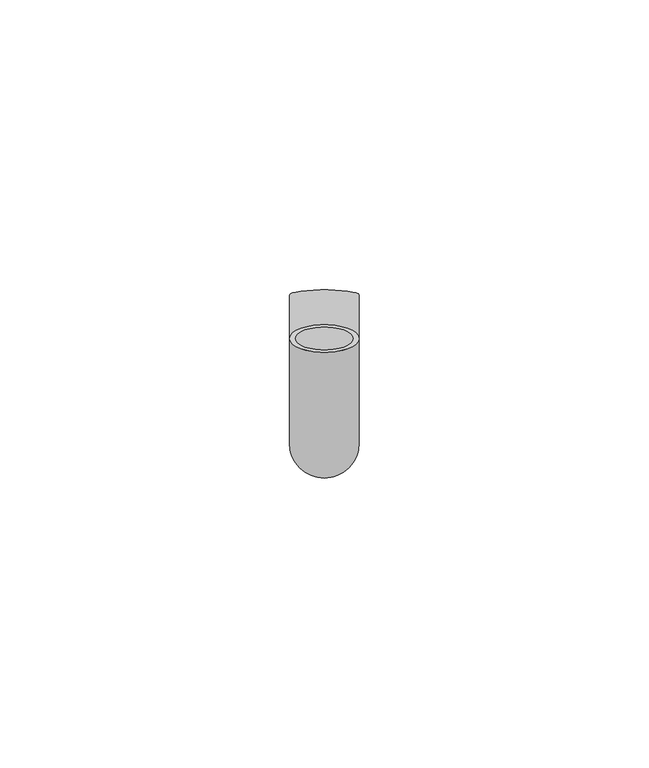
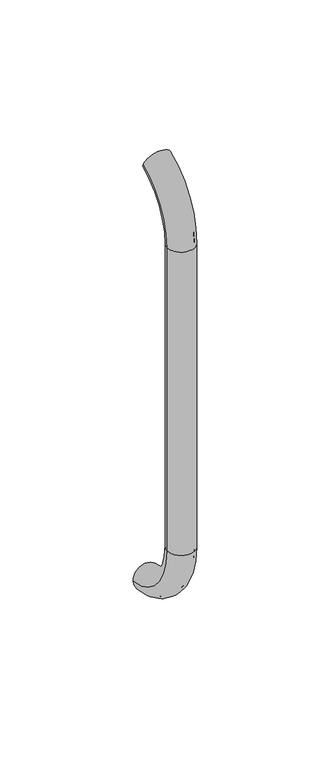
"""IFC4 building model written with IfcOpenShell, lengths in millimetres: beam geometry."""

from ifc_helpers import new_model, si_unit, point, frame, origin, place, context, project, spatial, polyline, circle_curve, ellipse_curve, trimmed, source, transform, mapped, element, save
from ifc_brep_helpers import plane_surface, cylinder_surface, revolved_surface, advanced_brep


def beam_02e64ba2(model_context):
    return source(origin(), model_context, "Body", "AdvancedBrep", [
        advanced_brep(
        [(2861.4386176, 2444.0395554, 1993.7787656), (2873.4386176, 2444.0395554, 1993.7787656), (2862.4386176, 2444.0395554, 1993.7787656), (2872.4386176, 2444.0395554, 1993.7787656), (2872.4386176, 2425.9629385, 1966.25), (2862.4386176, 2425.9629385, 1966.25), (2873.4386176, 2425.9629385, 1966.25), (2861.4386176, 2425.9629385, 1966.25), (2862.4386176, 2425.9629385, 1826.25), (2872.4386176, 2425.9629385, 1826.25), (2861.4386176, 2425.9629385, 1826.25), (2873.4386176, 2425.9629385, 1826.25), (2861.4386176, 2451.5825147, 1796.5715249), (2873.4386176, 2451.5825147, 1796.5715249), (2862.4386176, 2451.5825147, 1796.5715249), (2872.4386176, 2451.5825147, 1796.5715249)],
        [
            (0, 1, circle_curve(frame((2867.4386176, 2444.0395554, 1993.7787656), z_axis=(0.0, 0.9176255197351176, 0.3974461039321624), x_axis=(1.0, 0.0, 0.0)), 6.0)),
            (1, 0, circle_curve(frame((2867.4386176, 2444.0395554, 1993.7787656), z_axis=(0.0, 0.9176255197351176, 0.3974461039321624), x_axis=(1.0, 0.0, 0.0)), 6.0)),
            (2, 3, circle_curve(frame((2867.4386176, 2444.0395554, 1993.7787656), z_axis=(0.0, -0.9176255197351176, -0.3974461039321624), x_axis=(1.0, 0.0, 0.0)), 5.0)),
            (3, 2, circle_curve(frame((2867.4386176, 2444.0395554, 1993.7787656), z_axis=(0.0, -0.9176255197351176, -0.3974461039321624), x_axis=(1.0, 0.0, 0.0)), 5.0)),
            (4, 3, circle_curve(frame((2872.4386176, 2455.9629385, 1966.25), z_axis=(-1.0, 0.0, 0.0), x_axis=(0.0, -0.3974461039321624, 0.9176255197351176)), 30.0)),
            (2, 5, circle_curve(frame((2862.4386176, 2455.9629385, 1966.25), z_axis=(1.0, 0.0, 0.0), x_axis=(0.0, -0.3974461039321624, 0.9176255197351176)), 30.0)),
            (5, 4, circle_curve(frame((2867.4386176, 2425.9629385, 1966.25), z_axis=(0.0, 0.0, -1.0), x_axis=(1.0, 0.0, 0.0)), 5.0)),
            (4, 5, circle_curve(frame((2867.4386176, 2425.9629385, 1966.25), z_axis=(0.0, 0.0, -1.0), x_axis=(1.0, 0.0, 0.0)), 5.0)),
            (6, 1, circle_curve(frame((2873.4386176, 2455.9629385, 1966.25), z_axis=(-1.0, 0.0, 0.0), x_axis=(0.0, -0.3974461039321624, 0.9176255197351176)), 30.0)),
            (0, 7, circle_curve(frame((2861.4386176, 2455.9629385, 1966.25), z_axis=(1.0, 0.0, 0.0), x_axis=(0.0, -0.3974461039321624, 0.9176255197351176)), 30.0)),
            (7, 6, circle_curve(frame((2867.4386176, 2425.9629385, 1966.25), z_axis=(0.0, 0.0, 1.0), x_axis=(1.0, 0.0, 0.0)), 6.0)),
            (6, 7, circle_curve(frame((2867.4386176, 2425.9629385, 1966.25), z_axis=(0.0, 0.0, 1.0), x_axis=(1.0, 0.0, 0.0)), 6.0)),
            (5, 8),
            (8, 9, circle_curve(frame((2867.4386176, 2425.9629385, 1826.25), z_axis=(0.0, 0.0, -1.0), x_axis=(1.0, 0.0, 0.0)), 5.0)),
            (9, 4),
            (9, 8, circle_curve(frame((2867.4386176, 2425.9629385, 1826.25), z_axis=(0.0, 0.0, -1.0), x_axis=(1.0, 0.0, 0.0)), 5.0)),
            (7, 10),
            (10, 11, circle_curve(frame((2867.4386176, 2425.9629385, 1826.25), z_axis=(0.0, 0.0, 1.0), x_axis=(1.0, 0.0, 0.0)), 6.0)),
            (11, 6),
            (11, 10, circle_curve(frame((2867.4386176, 2425.9629385, 1826.25), z_axis=(0.0, 0.0, 1.0), x_axis=(1.0, 0.0, 0.0)), 6.0)),
            (12, 13, circle_curve(frame((2867.4386176, 2451.5825147, 1796.5715249), z_axis=(0.0, 0.9892825047438852, -0.14601412879466394), x_axis=(1.0, 0.0, 0.0)), 6.0)),
            (13, 12, circle_curve(frame((2867.4386176, 2451.5825147, 1796.5715249), z_axis=(0.0, 0.9892825047438852, -0.14601412879466394), x_axis=(1.0, 0.0, 0.0)), 6.0)),
            (14, 15, circle_curve(frame((2867.4386176, 2451.5825147, 1796.5715249), z_axis=(0.0, -0.9892825047438852, 0.14601412879466394), x_axis=(1.0, 0.0, 0.0)), 5.0)),
            (15, 14, circle_curve(frame((2867.4386176, 2451.5825147, 1796.5715249), z_axis=(0.0, -0.9892825047438852, 0.14601412879466394), x_axis=(1.0, 0.0, 0.0)), 5.0)),
            (15, 9, circle_curve(frame((2872.4386176, 2455.9629385, 1826.25), z_axis=(-1.0, 0.0, 0.0), x_axis=(0.0, -1.0, 0.0)), 30.0)),
            (8, 14, circle_curve(frame((2862.4386176, 2455.9629385, 1826.25), z_axis=(1.0, 0.0, 0.0), x_axis=(0.0, -1.0, 0.0)), 30.0)),
            (13, 11, circle_curve(frame((2873.4386176, 2455.9629385, 1826.25), z_axis=(-1.0, 0.0, 0.0), x_axis=(0.0, -1.0, 0.0)), 30.0)),
            (10, 12, circle_curve(frame((2861.4386176, 2455.9629385, 1826.25), z_axis=(1.0, 0.0, 0.0), x_axis=(0.0, -1.0, 0.0)), 30.0)),
        ],
        [
            plane_surface(frame((2867.4386176, 2444.0395554, 1993.7787656), z_axis=(0.0, 0.9176255197351176, 0.3974461039321624), x_axis=(1.0, 0.0, 0.0))),
            revolved_surface(trimmed(ellipse_curve(frame((2867.4386176, 2444.0395554, 1993.7787656), z_axis=(0.0, -0.9176255197351176, -0.3974461039321624), x_axis=(1.0, 0.0, 0.0)), 5.0, 5.0), [point((2862.4386176, 2444.0395554, 1993.7787656))], [point((2872.4386176, 2444.0395554, 1993.7787656))], True, "CARTESIAN"), (2867.4386176, 2455.9629385, 1966.25), (1.0, 0.0, 0.0)),
            revolved_surface(trimmed(ellipse_curve(frame((2867.4386176, 2444.0395554, 1993.7787656), z_axis=(0.0, -0.9176255197351176, -0.3974461039321624), x_axis=(1.0, 0.0, 0.0)), 5.0, 5.0), [point((2872.4386176, 2444.0395554, 1993.7787656))], [point((2862.4386176, 2444.0395554, 1993.7787656))], True, "CARTESIAN"), (2867.4386176, 2455.9629385, 1966.25), (1.0, 0.0, 0.0)),
            revolved_surface(trimmed(ellipse_curve(frame((2867.4386176, 2444.0395554, 1993.7787656), z_axis=(0.0, 0.9176255197351176, 0.3974461039321624), x_axis=(1.0, 0.0, 0.0)), 6.0, 6.0), [point((2861.4386176, 2444.0395554, 1993.7787656))], [point((2873.4386176, 2444.0395554, 1993.7787656))], True, "CARTESIAN"), (2867.4386176, 2455.9629385, 1966.25), (1.0, 0.0, 0.0)),
            revolved_surface(trimmed(ellipse_curve(frame((2867.4386176, 2444.0395554, 1993.7787656), z_axis=(0.0, 0.9176255197351176, 0.3974461039321624), x_axis=(1.0, 0.0, 0.0)), 6.0, 6.0), [point((2873.4386176, 2444.0395554, 1993.7787656))], [point((2861.4386176, 2444.0395554, 1993.7787656))], True, "CARTESIAN"), (2867.4386176, 2455.9629385, 1966.25), (1.0, 0.0, 0.0)),
            revolved_surface(polyline([(2872.4386176, 2425.9629385, 1826.25), (2872.4386176, 2425.9629385, 1966.25)]), (2867.4386176, 2425.9629385, 1966.25), (0.0, 0.0, -1.0)),
            cylinder_surface(frame((2867.4386176, 2425.9629385, 1966.25), z_axis=(0.0, 0.0, 1.0), x_axis=(1.0, 0.0, 0.0)), 6.0),
            plane_surface(frame((2867.4386176, 2451.5825147, 1796.5715249), z_axis=(0.0, 0.9892825047438852, -0.14601412879466397), x_axis=(1.0, 0.0, 0.0))),
            revolved_surface(trimmed(ellipse_curve(frame((2867.4386176, 2425.9629385, 1826.25), z_axis=(0.0, 0.0, -1.0), x_axis=(1.0, 0.0, 0.0)), 5.0, 5.0), [point((2862.4386176, 2425.9629385, 1826.25))], [point((2872.4386176, 2425.9629385, 1826.25))], True, "CARTESIAN"), (2867.4386176, 2455.9629385, 1826.25), (1.0, 0.0, 0.0)),
            revolved_surface(trimmed(ellipse_curve(frame((2867.4386176, 2425.9629385, 1826.25), z_axis=(0.0, 0.0, -1.0), x_axis=(1.0, 0.0, 0.0)), 5.0, 5.0), [point((2872.4386176, 2425.9629385, 1826.25))], [point((2862.4386176, 2425.9629385, 1826.25))], True, "CARTESIAN"), (2867.4386176, 2455.9629385, 1826.25), (1.0, 0.0, 0.0)),
            revolved_surface(trimmed(ellipse_curve(frame((2867.4386176, 2425.9629385, 1826.25), z_axis=(0.0, 0.0, 1.0), x_axis=(1.0, 0.0, 0.0)), 6.0, 6.0), [point((2861.4386176, 2425.9629385, 1826.25))], [point((2873.4386176, 2425.9629385, 1826.25))], True, "CARTESIAN"), (2867.4386176, 2455.9629385, 1826.25), (1.0, 0.0, 0.0)),
            revolved_surface(trimmed(ellipse_curve(frame((2867.4386176, 2425.9629385, 1826.25), z_axis=(0.0, 0.0, 1.0), x_axis=(1.0, 0.0, 0.0)), 6.0, 6.0), [point((2873.4386176, 2425.9629385, 1826.25))], [point((2861.4386176, 2425.9629385, 1826.25))], True, "CARTESIAN"), (2867.4386176, 2455.9629385, 1826.25), (1.0, 0.0, 0.0)),
        ],
        [
            (0, [[1, 2], [3, 4]]),
            (1, [[5, -3, 6, 7]]),
            (2, [[-6, -4, -5, 8]]),
            (3, [[9, -1, 10, 11]]),
            (4, [[-10, -2, -9, 12]]),
            (5, [[-7, 13, 14, 15]]),
            (5, [[-8, -15, 16, -13]]),
            (6, [[-11, 17, 18, 19]]),
            (6, [[-12, -19, 20, -17]]),
            (7, [[21, 22], [23, 24]]),
            (8, [[25, -14, 26, -24]]),
            (9, [[-26, -16, -25, -23]]),
            (10, [[27, -18, 28, -22]]),
            (11, [[-28, -20, -27, -21]]),
        ],
    ),
    ])


if __name__ == "__main__":
    model = new_model("IFC4")
    model_context = context("Model", 3, world=origin())
    ifc_project = project(units=[si_unit("LENGTHUNIT", "METRE", prefix="MILLI")], contexts=[model_context])
    site = spatial("IfcSite", under=ifc_project)
    building = spatial("IfcBuilding", under=site)
    placement = place(None, origin())
    beam_shape = beam_02e64ba2(model_context)
    element("IfcBeam", 1, at=placement, inside=building, context=model_context, shape_type="MappedRepresentation", body=[
        mapped(beam_shape, transform((0.0, 0.0, 0.0), x_axis=(1.0, 0.0, 0.0), y_axis=(0.0, 1.0, 0.0), z_axis=(0.0, 0.0, 1.0))),
    ])
    save(model, "model.ifc")
